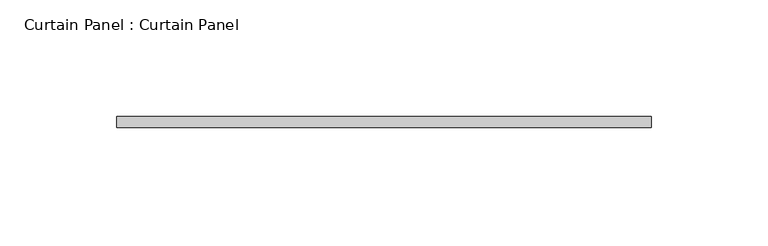
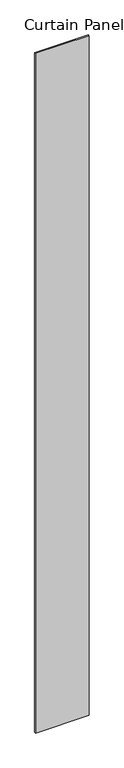
"""IFC4 building model written with IfcOpenShell, lengths in millimetres: plate geometry, Curtain Panel : Curtain Panel."""

from ifc_helpers import new_model, si_unit, origin, origin_with_axes, place, context, project, spatial, polyline, outline, extrude, source, transform, mapped, element, save


def curtain_panel_curtain_panel_5e80bb00(model_context):
    return source(origin(), model_context, "Body", "SweptSolid", [
        extrude(outline(polyline([(543.6099078, 92847.5727886), (772.2099078, 92847.5727886), (772.2099078, 92842.8102886), (543.6099078, 92842.8102886), (543.6099078, 92847.5727886)])), origin_with_axes(), (0.0, 0.0, 1.0), 3048.0),
    ])


if __name__ == "__main__":
    model = new_model("IFC4")
    model_context = context("Model", 3, world=origin())
    ifc_project = project(units=[si_unit("LENGTHUNIT", "METRE", prefix="MILLI")], contexts=[model_context])
    site = spatial("IfcSite", under=ifc_project)
    building = spatial("IfcBuilding", under=site)
    placement = place(None, origin())
    curtain_panel_curtain_panel_shape = curtain_panel_curtain_panel_5e80bb00(model_context)
    element("IfcPlate", 1, ObjectType="Curtain Panel : Curtain Panel", at=placement, inside=building, context=model_context, shape_type="MappedRepresentation", body=[
        mapped(curtain_panel_curtain_panel_shape, transform((0.0, 0.0, 0.0), x_axis=(1.0, 0.0, 0.0), y_axis=(0.0, 1.0, 0.0), z_axis=(0.0, 0.0, 1.0))),
    ])
    save(model, "model.ifc")
